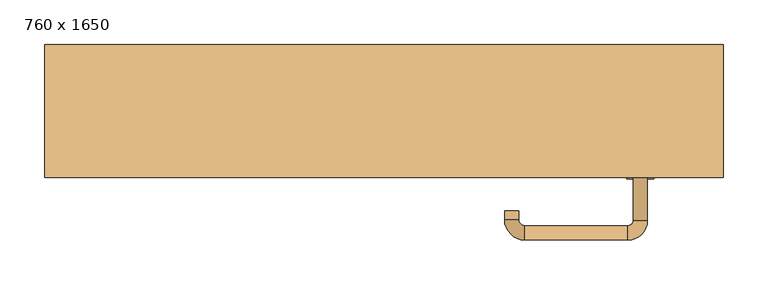
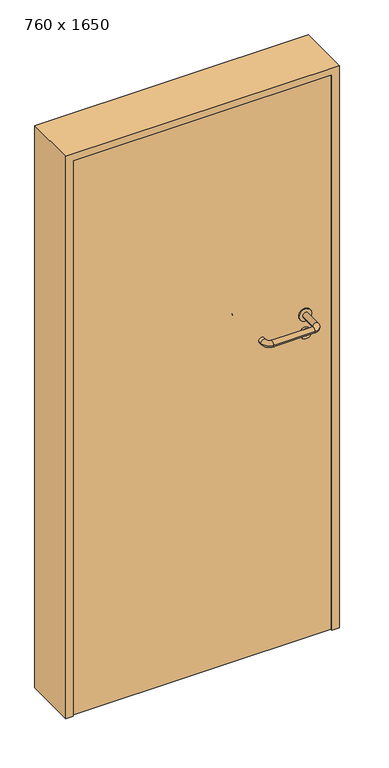
"""IFC4 building model written with IfcOpenShell, lengths in millimetres: door geometry, 760 x 1650."""

from ifc_helpers import new_model, si_unit, point, frame, frame_2d, origin, origin_with_axes, place, context, project, spatial, polyline, circle_curve, ellipse_curve, trimmed, segment, composite_curve, outline, extrude, source, transform, mapped, element, save
from ifc_brep_helpers import plane_surface, cylinder_surface, revolved_surface, advanced_brep


def door_760_x_1650_755e0096(model_context):
    return source(origin(), model_context, "Body", "SolidModel", [
        extrude(outline(composite_curve([segment(trimmed(circle_curve(frame_2d((897.3605726, 287.0)), 15.0), [point((897.3605726, 302.0))], [point((897.3605726, 272.0))], False, "CARTESIAN"), True, "CONTINUOUS"), segment(trimmed(circle_curve(frame_2d((897.3605726, 287.0)), 15.0), [point((897.3605726, 272.0))], [point((897.3605726, 302.0))], False, "CARTESIAN"), True, "CONTINUOUS")], self_intersect=False), holes=[composite_curve([segment(trimmed(circle_curve(frame_2d((892.5833211, 286.9398032)), 2.0), [point((892.5833211, 288.9398032))], [point((892.5833211, 284.9398032))], True, "CARTESIAN"), True, "CONTINUOUS"), segment(polyline([(892.5833211, 284.9398032), (902.5833211, 284.9398032)]), True, "CONTINUOUS"), segment(trimmed(circle_curve(frame_2d((902.5833211, 286.9398032)), 2.0), [point((902.5833211, 284.9398032))], [point((902.5833211, 288.9398032))], True, "CARTESIAN"), True, "CONTINUOUS"), segment(polyline([(902.5833211, 288.9398032), (892.5833211, 288.9398032)]), True, "CONTINUOUS")], self_intersect=False)]), frame((0.0, -40.0, 0.0), z_axis=(0.0, 1.0, 0.0), x_axis=(0.0, 0.0, 1.0)), (0.0, 0.0, 1.0), 6.35),
        extrude(outline(composite_curve([segment(trimmed(circle_curve(frame_2d((950.0, 287.0)), 17.526), [point((950.0, 304.526))], [point((950.0, 269.474))], False, "CARTESIAN"), True, "CONTINUOUS"), segment(trimmed(circle_curve(frame_2d((950.0, 287.0)), 17.526), [point((950.0, 269.474))], [point((950.0, 304.526))], False, "CARTESIAN"), True, "CONTINUOUS")], self_intersect=False)), frame((0.0, -40.0, 0.0), z_axis=(0.0, 1.0, 0.0), x_axis=(0.0, 0.0, 1.0)), (0.0, 0.0, 1.0), 3.175),
        advanced_brep(
        [(295.0, -40.0, 950.0), (279.0, -40.0, 950.0), (295.0, 13.0, 950.0), (279.0, 13.0, 950.0), (272.8578644, 19.1421356, 950.0), (272.8578644, 35.1421356, 950.0), (157.8578644, 35.1421356, 950.0), (157.8578644, 19.1421356, 950.0), (151.008622, 12.2928932, 950.0), (135.008622, 12.2928932, 950.0), (135.008622, 2.2928932, 950.0), (151.008622, 2.2928932, 950.0)],
        [
            (0, 1, circle_curve(frame((287.0, -40.0, 950.0), z_axis=(0.0, -1.0, 0.0), x_axis=(-1.0, 0.0, 0.0)), 8.0)),
            (1, 0, circle_curve(frame((287.0, -40.0, 950.0), z_axis=(0.0, -1.0, 0.0), x_axis=(-1.0, 0.0, 0.0)), 8.0)),
            (0, 2),
            (2, 3, circle_curve(frame((287.0, 13.0, 950.0), z_axis=(0.0, -1.0, 0.0), x_axis=(-1.0, 0.0, 0.0)), 8.0)),
            (3, 1),
            (3, 2, circle_curve(frame((287.0, 13.0, 950.0), z_axis=(0.0, -1.0, 0.0), x_axis=(-1.0, 0.0, 0.0)), 8.0)),
            (4, 3, circle_curve(frame((272.8578644, 13.0, 950.0), z_axis=(0.0, 0.0, -1.0), x_axis=(1.0, 0.0, 0.0)), 6.1421356)),
            (2, 5, circle_curve(frame((272.8578644, 13.0, 950.0), z_axis=(0.0, 0.0, 1.0), x_axis=(1.0, 0.0, 0.0)), 22.1421356)),
            (5, 4, circle_curve(frame((272.8578644, 27.1421356, 950.0), z_axis=(1.0, 0.0, 0.0), x_axis=(0.0, -1.0, 0.0)), 8.0)),
            (4, 5, circle_curve(frame((272.8578644, 27.1421356, 950.0), z_axis=(1.0, 0.0, 0.0), x_axis=(0.0, -1.0, 0.0)), 8.0)),
            (5, 6),
            (6, 7, circle_curve(frame((157.8578644, 27.1421356, 950.0), z_axis=(1.0, 0.0, 0.0), x_axis=(0.0, -1.0, 0.0)), 8.0)),
            (7, 4),
            (7, 6, circle_curve(frame((157.8578644, 27.1421356, 950.0), z_axis=(1.0, 0.0, 0.0), x_axis=(0.0, -1.0, 0.0)), 8.0)),
            (8, 7, circle_curve(frame((157.8578644, 12.2928932, 950.0), z_axis=(0.0, 0.0, -1.0), x_axis=(0.0, 1.0, 0.0)), 6.8492424)),
            (6, 9, circle_curve(frame((157.8578644, 12.2928932, 950.0), z_axis=(0.0, 0.0, 1.0), x_axis=(0.0, 1.0, 0.0)), 22.8492424)),
            (9, 8, circle_curve(frame((143.008622, 12.2928932, 950.0), z_axis=(0.0, 1.0, 0.0), x_axis=(1.0, 0.0, 0.0)), 8.0)),
            (8, 9, circle_curve(frame((143.008622, 12.2928932, 950.0), z_axis=(0.0, 1.0, 0.0), x_axis=(1.0, 0.0, 0.0)), 8.0)),
            (10, 11, circle_curve(frame((143.008622, 2.2928932, 950.0), z_axis=(0.0, -1.0, 0.0), x_axis=(1.0, 0.0, 0.0)), 8.0)),
            (11, 10, circle_curve(frame((143.008622, 2.2928932, 950.0), z_axis=(0.0, -1.0, 0.0), x_axis=(1.0, 0.0, 0.0)), 8.0)),
            (9, 10),
            (11, 8),
        ],
        [
            plane_surface(frame((287.0, -40.0, 0.0), z_axis=(0.0, -1.0, 0.0), x_axis=(0.0, 0.0, 1.0))),
            cylinder_surface(frame((287.0, -40.0, 950.0), z_axis=(0.0, -1.0, 0.0), x_axis=(-1.0, 0.0, 0.0)), 8.0),
            revolved_surface(trimmed(ellipse_curve(frame((287.0, 13.0, 950.0), z_axis=(0.0, -1.0, 0.0), x_axis=(-1.0, 0.0, 0.0)), 8.0, 8.0), [point((295.0, 13.0, 950.0))], [point((279.0, 13.0, 950.0))], True, "CARTESIAN"), (272.8578644, 13.0, 0.0), (0.0, 0.0, 1.0)),
            revolved_surface(trimmed(ellipse_curve(frame((287.0, 13.0, 950.0), z_axis=(0.0, -1.0, 0.0), x_axis=(-1.0, 0.0, 0.0)), 8.0, 8.0), [point((279.0, 13.0, 950.0))], [point((295.0, 13.0, 950.0))], True, "CARTESIAN"), (272.8578644, 13.0, 0.0), (0.0, 0.0, 1.0)),
            cylinder_surface(frame((272.8578644, 27.1421356, 950.0), z_axis=(1.0, 0.0, 0.0), x_axis=(0.0, -1.0, 0.0)), 8.0),
            revolved_surface(trimmed(ellipse_curve(frame((157.8578644, 27.1421356, 950.0), z_axis=(1.0, 0.0, 0.0), x_axis=(0.0, -1.0, 0.0)), 8.0, 8.0), [point((157.8578644, 35.1421356, 950.0))], [point((157.8578644, 19.1421356, 950.0))], True, "CARTESIAN"), (157.8578644, 12.2928932, 0.0), (0.0, 0.0, 1.0)),
            revolved_surface(trimmed(ellipse_curve(frame((157.8578644, 27.1421356, 950.0), z_axis=(1.0, 0.0, 0.0), x_axis=(0.0, -1.0, 0.0)), 8.0, 8.0), [point((157.8578644, 19.1421356, 950.0))], [point((157.8578644, 35.1421356, 950.0))], True, "CARTESIAN"), (157.8578644, 12.2928932, 0.0), (0.0, 0.0, 1.0)),
            plane_surface(frame((143.008622, 2.2928932, 0.0), z_axis=(0.0, -1.0, 0.0), x_axis=(0.0, 0.0, 1.0))),
            cylinder_surface(frame((143.008622, 12.2928932, 950.0), z_axis=(0.0, 1.0, 0.0), x_axis=(1.0, 0.0, 0.0)), 8.0),
        ],
        [
            (0, [[1, 2]]),
            (1, [[-1, 3, 4, 5]]),
            (1, [[-2, -5, 6, -3]]),
            (2, [[7, -4, 8, 9]]),
            (3, [[-8, -6, -7, 10]]),
            (4, [[-9, 11, 12, 13]]),
            (4, [[-10, -13, 14, -11]]),
            (5, [[15, -12, 16, 17]]),
            (6, [[-16, -14, -15, 18]]),
            (7, [[19, 20]]),
            (8, [[-17, 21, -20, 22]]),
            (8, [[-18, -22, -19, -21]]),
        ],
    ),
        extrude(outline(composite_curve([segment(trimmed(circle_curve(frame_2d((0.0, 15.0)), 15.0), [point((0.0, 30.0))], [point((0.0, 0.0))], False, "CARTESIAN"), True, "CONTINUOUS"), segment(trimmed(circle_curve(frame_2d((0.0, 15.0)), 15.0), [point((0.0, 0.0))], [point((0.0, 30.0))], False, "CARTESIAN"), True, "CONTINUOUS")], self_intersect=False), holes=[composite_curve([segment(trimmed(circle_curve(frame_2d((-4.7772515, 14.9398032)), 2.0), [point((-4.7772515, 16.9398032))], [point((-4.7772515, 12.9398032))], True, "CARTESIAN"), True, "CONTINUOUS"), segment(polyline([(-4.7772515, 12.9398032), (5.2227485, 12.9398032)]), True, "CONTINUOUS"), segment(trimmed(circle_curve(frame_2d((5.2227485, 14.9398032)), 2.0), [point((5.2227485, 12.9398032))], [point((5.2227485, 16.9398032))], True, "CARTESIAN"), True, "CONTINUOUS"), segment(polyline([(5.2227485, 16.9398032), (-4.7772515, 16.9398032)]), True, "CONTINUOUS")], self_intersect=False)]), frame((272.0, -76.35, 897.3605726), z_axis=(-1.8870575173328306e-12, 1.0, 0.0), x_axis=(0.0, 0.0, 1.0)), (0.0, 0.0, 1.0), 6.35),
        extrude(outline(composite_curve([segment(trimmed(circle_curve(frame_2d((0.0, 17.526)), 17.526), [point((0.0, 35.052))], [point((0.0, 0.0))], False, "CARTESIAN"), True, "CONTINUOUS"), segment(trimmed(circle_curve(frame_2d((0.0, 17.526)), 17.526), [point((0.0, 0.0))], [point((0.0, 35.052))], False, "CARTESIAN"), True, "CONTINUOUS")], self_intersect=False)), frame((269.474, -73.175, 950.0), z_axis=(-1.8870575173328306e-12, 1.0, 0.0), x_axis=(0.0, 0.0, 1.0)), (0.0, 0.0, 1.0), 3.175),
        advanced_brep(
        [(295.0, -70.0, 950.0), (279.0, -70.0, 950.0), (279.0, -123.0, 950.0), (295.0, -123.0, 950.0), (272.8578644, -129.1421356, 950.0), (272.8578644, -145.1421356, 950.0), (157.8578644, -129.1421356, 950.0), (157.8578644, -145.1421356, 950.0), (151.008622, -122.2928932, 950.0), (135.008622, -122.2928932, 950.0), (135.008622, -112.2928932, 950.0), (151.008622, -112.2928932, 950.0)],
        [
            (0, 1, circle_curve(frame((287.0, -70.0, 950.0), z_axis=(-1.888672253512351e-12, 1.0, 0.0), x_axis=(-1.0, -1.888672253512351e-12, 0.0)), 8.0)),
            (1, 0, circle_curve(frame((287.0, -70.0, 950.0), z_axis=(-1.888672253512351e-12, 1.0, 0.0), x_axis=(-1.0, -1.888672253512351e-12, 0.0)), 8.0)),
            (1, 2),
            (2, 3, circle_curve(frame((287.0, -123.0, 950.0), z_axis=(-1.888672253512351e-12, 1.0, 0.0), x_axis=(-1.0, -1.888672253512351e-12, 0.0)), 8.0)),
            (3, 0),
            (3, 2, circle_curve(frame((287.0, -123.0, 950.0), z_axis=(-1.888672253512351e-12, 1.0, 0.0), x_axis=(-1.0, -1.888672253512351e-12, 0.0)), 8.0)),
            (4, 5, circle_curve(frame((272.8578644, -137.1421356, 950.0), z_axis=(1.0, 1.913702061528922e-12, 0.0), x_axis=(-1.913702061528922e-12, 1.0, 0.0)), 8.0)),
            (5, 3, circle_curve(frame((272.8578644, -123.0, 950.0), z_axis=(0.0, 0.0, 1.0), x_axis=(1.0, 1.880717803715015e-12, 0.0)), 22.1421356)),
            (2, 4, circle_curve(frame((272.8578644, -123.0, 950.0), z_axis=(0.0, 0.0, -1.0), x_axis=(1.0, 1.880717803715015e-12, 0.0)), 6.1421356)),
            (5, 4, circle_curve(frame((272.8578644, -137.1421356, 950.0), z_axis=(1.0, 1.913702061528922e-12, 0.0), x_axis=(-1.913702061528922e-12, 1.0, 0.0)), 8.0)),
            (4, 6),
            (6, 7, circle_curve(frame((157.8578644, -137.1421356, 950.0), z_axis=(1.0, 1.913719828541269e-12, 0.0), x_axis=(-1.913719828541269e-12, 1.0, 0.0)), 8.0)),
            (7, 5),
            (7, 6, circle_curve(frame((157.8578644, -137.1421356, 950.0), z_axis=(1.0, 1.913719828541269e-12, 0.0), x_axis=(-1.913719828541269e-12, 1.0, 0.0)), 8.0)),
            (8, 9, circle_curve(frame((143.008622, -122.2928932, 950.0), z_axis=(1.8888942981172756e-12, -1.0, 0.0), x_axis=(1.0, 1.8888942981172756e-12, 0.0)), 8.0)),
            (9, 7, circle_curve(frame((157.8578644, -122.2928932, 950.0), z_axis=(0.0, 0.0, 1.0), x_axis=(1.9120873253494017e-12, -1.0, 0.0)), 22.8492424)),
            (6, 8, circle_curve(frame((157.8578644, -122.2928932, 950.0), z_axis=(0.0, 0.0, -1.0), x_axis=(1.9120873253494017e-12, -1.0, 0.0)), 6.8492424)),
            (9, 8, circle_curve(frame((143.008622, -122.2928932, 950.0), z_axis=(1.890448610351751e-12, -1.0, 0.0), x_axis=(1.0, 1.890448610351751e-12, 0.0)), 8.0)),
            (10, 11, circle_curve(frame((143.008622, -112.2928932, 950.0), z_axis=(-1.8903642334018795e-12, 1.0, 0.0), x_axis=(1.0, 1.8903642334018795e-12, 0.0)), 8.0)),
            (11, 10, circle_curve(frame((143.008622, -112.2928932, 950.0), z_axis=(-1.8903642334018795e-12, 1.0, 0.0), x_axis=(1.0, 1.8903642334018795e-12, 0.0)), 8.0)),
            (8, 11),
            (10, 9),
        ],
        [
            plane_surface(frame((287.0, -70.0, 0.0), z_axis=(-1.8870575173328306e-12, 1.0, 0.0), x_axis=(0.0, 0.0, 1.0))),
            cylinder_surface(frame((287.0, -70.0, 950.0), z_axis=(-1.888672253512351e-12, 1.0, 0.0), x_axis=(-1.0, -1.888672253512351e-12, 0.0)), 8.0),
            revolved_surface(trimmed(ellipse_curve(frame((287.0, -123.0, 950.0), z_axis=(1.8823325398945356e-12, -1.0, 0.0), x_axis=(-1.0, -1.8823325398945356e-12, 0.0)), 8.0, 8.0), [point((295.0, -123.0, 950.0))], [point((279.0, -123.0, 950.0))], True, "CARTESIAN"), (272.8578644, -123.0, 0.0), (0.0, 0.0, 1.0)),
            revolved_surface(trimmed(ellipse_curve(frame((287.0, -123.0, 950.0), z_axis=(1.8823325398945356e-12, -1.0, 0.0), x_axis=(-1.0, -1.8823325398945356e-12, 0.0)), 8.0, 8.0), [point((279.0, -123.0, 950.0))], [point((295.0, -123.0, 950.0))], True, "CARTESIAN"), (272.8578644, -123.0, 0.0), (0.0, 0.0, 1.0)),
            cylinder_surface(frame((272.8578644, -137.1421356, 950.0), z_axis=(1.0, 1.913719828541269e-12, 0.0), x_axis=(-1.913719828541269e-12, 1.0, 0.0)), 8.0),
            revolved_surface(trimmed(ellipse_curve(frame((157.8578644, -137.1421356, 950.0), z_axis=(-1.0, -1.913702061528922e-12, 0.0), x_axis=(-1.913702061528922e-12, 1.0, 0.0)), 8.0, 8.0), [point((157.8578644, -145.1421356, 950.0))], [point((157.8578644, -129.1421356, 950.0))], True, "CARTESIAN"), (157.8578644, -122.2928932, 0.0), (0.0, 0.0, 1.0)),
            revolved_surface(trimmed(ellipse_curve(frame((157.8578644, -137.1421356, 950.0), z_axis=(-1.0, -1.913702061528922e-12, 0.0), x_axis=(-1.913702061528922e-12, 1.0, 0.0)), 8.0, 8.0), [point((157.8578644, -129.1421356, 950.0))], [point((157.8578644, -145.1421356, 950.0))], True, "CARTESIAN"), (157.8578644, -122.2928932, 0.0), (0.0, 0.0, 1.0)),
            plane_surface(frame((143.008622, -112.2928932, 0.0), z_axis=(-1.8887494972223595e-12, 1.0, 0.0), x_axis=(0.0, 0.0, 1.0))),
            cylinder_surface(frame((143.008622, -122.2928932, 950.0), z_axis=(1.8903642334018795e-12, -1.0, 0.0), x_axis=(1.0, 1.8903642334018795e-12, 0.0)), 8.0),
        ],
        [
            (0, [[1, 2]]),
            (1, [[3, 4, 5, -2]]),
            (1, [[-5, 6, -3, -1]]),
            (2, [[7, 8, -4, 9]]),
            (3, [[10, -9, -6, -8]]),
            (4, [[11, 12, 13, -7]]),
            (4, [[-13, 14, -11, -10]]),
            (5, [[15, 16, -12, 17]]),
            (6, [[18, -17, -14, -16]]),
            (7, [[19, 20]]),
            (8, [[21, -19, 22, -15]]),
            (8, [[-22, -20, -21, -18]]),
        ],
    ),
        extrude(outline(polyline([(1630.0, 360.0), (0.0, 360.0), (0.0, 380.0), (1650.0, 380.0), (1650.0, -380.0), (0.0, -380.0), (0.0, -360.0), (1630.0, -360.0), (1630.0, 360.0)])), frame((0.0, -75.0, 0.0), z_axis=(0.0, 1.0, 0.0), x_axis=(0.0, 0.0, 1.0)), (0.0, 0.0, 1.0), 149.0),
        extrude(outline(polyline([(-360.0, -70.0), (-360.0, -40.0), (360.0, -40.0), (360.0, -70.0), (-360.0, -70.0)])), origin_with_axes(), (0.0, 0.0, 1.0), 1630.0),
    ])


if __name__ == "__main__":
    model = new_model("IFC4")
    model_context = context("Model", 3, world=origin())
    ifc_project = project(units=[si_unit("LENGTHUNIT", "METRE", prefix="MILLI")], contexts=[model_context])
    site = spatial("IfcSite", under=ifc_project)
    building = spatial("IfcBuilding", under=site)
    placement = place(None, origin())
    door_760_x_1650_shape = door_760_x_1650_755e0096(model_context)
    element("IfcDoor", 1, ObjectType="760 x 1650", at=placement, inside=building, context=model_context, shape_type="MappedRepresentation", body=[
        mapped(door_760_x_1650_shape, transform((0.0, 0.0, 0.0), x_axis=(1.0, 0.0, 0.0), y_axis=(0.0, 1.0, 0.0), z_axis=(0.0, 0.0, 1.0))),
    ])
    save(model, "model.ifc")
